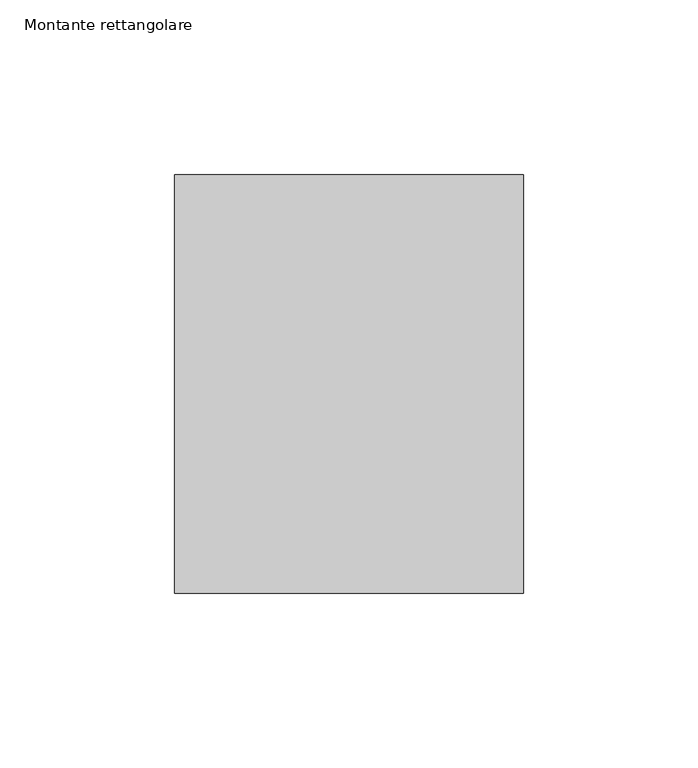
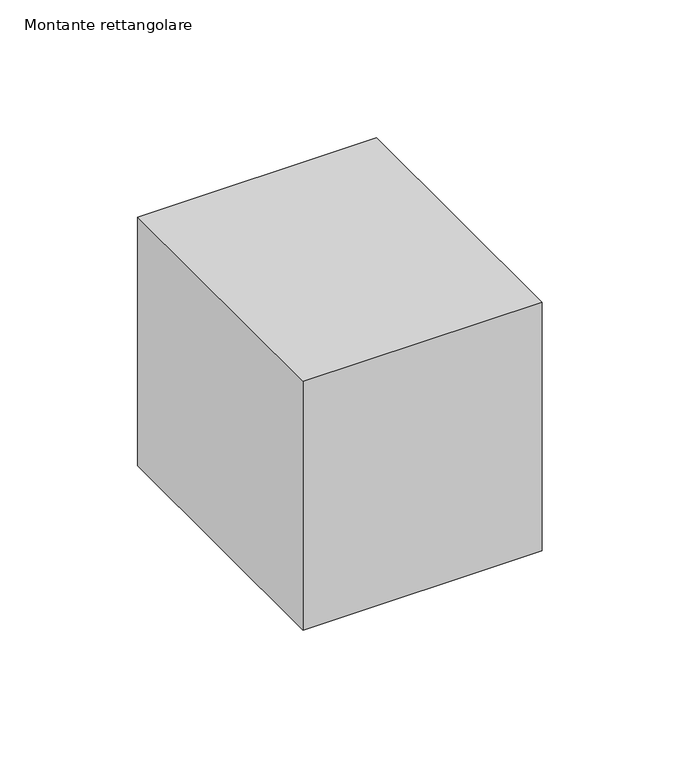
"""IFC4 building model written with IfcOpenShell, lengths in millimetres: member geometry, Montante rettangolare."""

import ifcopenshell
import ifcopenshell.guid

model = None  # the IFC model being written
_history = None  # IfcOwnerHistory: only IFC2X3 demands one
_inside = {}  # id of a spatial element -> (the spatial element, [elements in it])
_under = {}  # id of a project, library or spatial element -> (it, [spatial elements below it])
_declared = {}  # id of a project -> (the project, [libraries it declares])
_typed = {}  # id of a type object -> (the type object, [elements of that type])
_made_of = {}  # id of a material, layer set ... -> (it, [elements and type objects made of it])


def new_model(schema):
    """Start an empty IFC model of exactly this schema.

    Asked for "IFC4X3", IfcOpenShell would pick the latest addendum, in which some entities
    have other attributes; the version numbers below select the first issue.
    IFC2X3 requires an IfcOwnerHistory on every rooted entity: one is made here for all.
    """
    global model, _history
    if schema == "IFC4X3":
        model = ifcopenshell.file(schema_version=(4, 3, 0, 0))
    else:
        model = ifcopenshell.file(schema=schema)
    _inside.clear()
    _under.clear()
    _declared.clear()
    _typed.clear()
    _made_of.clear()
    _history = None
    if model.schema == "IFC2X3":
        org = make("IfcOrganization", Name="unknown")
        user = make(
            "IfcPersonAndOrganization",
            ThePerson=make("IfcPerson", FamilyName="unknown"),
            TheOrganization=org,
        )
        app = make(
            "IfcApplication",
            ApplicationDeveloper=org,
            Version="unknown",
            ApplicationFullName="unknown",
            ApplicationIdentifier="unknown",
        )
        _history = make(
            "IfcOwnerHistory",
            OwningUser=user,
            OwningApplication=app,
            ChangeAction="ADDED",
            CreationDate=0,
        )
    return model


def make(cls, **values):
    """One entity of the class cls with the attributes given. An attribute that is None is left unset."""
    return model.create_entity(
        cls, **{name: value for name, value in values.items() if value is not None}
    )


def rooted(cls, **values):
    """An entity with a GlobalId (a new one), such as an element, a storey or a relation."""
    return make(cls, GlobalId=ifcopenshell.guid.new(), OwnerHistory=_history, **values)


def si_unit(unit_type, name, prefix=None):
    """IfcSIUnit, for example si_unit("LENGTHUNIT", "METRE", prefix="MILLI")."""
    return make("IfcSIUnit", UnitType=unit_type, Prefix=prefix, Name=name)


def assignment(units):
    """IfcUnitAssignment: the units of a project."""
    return None if units is None else make("IfcUnitAssignment", Units=units)


def point(xyz):
    """IfcCartesianPoint."""
    return None if xyz is None else make("IfcCartesianPoint", Coordinates=xyz)


def direction(xyz):
    """IfcDirection."""
    return None if xyz is None else make("IfcDirection", DirectionRatios=xyz)


def frame(location, z_axis=None, x_axis=None):
    """IfcAxis2Placement3D, a coordinate frame: its origin and axes. An axis left out is left unset."""
    return make(
        "IfcAxis2Placement3D",
        Location=point(location),
        Axis=direction(z_axis),
        RefDirection=direction(x_axis),
    )


def origin():
    """The frame at (0, 0, 0) with its axes left unset."""
    return frame((0.0, 0.0, 0.0))


def place(relative_to, where):
    """IfcLocalPlacement: puts the frame where relative to a parent placement (None: the world)."""
    return make(
        "IfcLocalPlacement", PlacementRelTo=relative_to, RelativePlacement=where
    )


def context(
    kind, dimensions, precision=None, world=None, true_north=None, identifier=None
):
    """IfcGeometricRepresentationContext, for example the 3D "Model" context."""
    return make(
        "IfcGeometricRepresentationContext",
        ContextIdentifier=identifier,
        ContextType=kind,
        CoordinateSpaceDimension=dimensions,
        Precision=precision,
        WorldCoordinateSystem=world,
        TrueNorth=true_north,
    )


def project(units=None, contexts=None):
    """IfcProject with its units and contexts."""
    return rooted(
        "IfcProject",
        Name="project",
        RepresentationContexts=contexts,
        UnitsInContext=assignment(units),
    )


def spatial(cls, under=None, at=None, **own):
    """A site, building, storey or space (cls), placed at a placement, below another one or the project."""
    s = rooted(cls, ObjectPlacement=at, **own)
    if under is not None:
        _under.setdefault(under.id(), (under, []))[1].append(s)
    return s


def polyline(points):
    """IfcPolyline through the points."""
    return make("IfcPolyline", Points=[point(p) for p in points])


def outline(outer, holes=None, kind="AREA"):
    """IfcArbitraryClosedProfileDef: a profile drawn as a closed curve; with holes, ...WithVoids."""
    if holes is None:
        return make("IfcArbitraryClosedProfileDef", ProfileType=kind, OuterCurve=outer)
    return make(
        "IfcArbitraryProfileDefWithVoids",
        ProfileType=kind,
        OuterCurve=outer,
        InnerCurves=holes,
    )


def extrude(swept, where, along, depth):
    """IfcExtrudedAreaSolid: the profile swept, set in the frame where, extruded along a direction by depth."""
    return make(
        "IfcExtrudedAreaSolid",
        SweptArea=swept,
        Position=where,
        ExtrudedDirection=direction(along),
        Depth=depth,
    )


def shape(context_of_items, identifier, shape_type, items):
    """IfcShapeRepresentation: the items that make up one representation, for example the "Body"."""
    return make(
        "IfcShapeRepresentation",
        ContextOfItems=context_of_items,
        RepresentationIdentifier=identifier,
        RepresentationType=shape_type,
        Items=items,
    )


def source(mapping_origin, context_of_items, identifier, shape_type, items):
    """IfcRepresentationMap: a shape defined once, which mapped items show again and again."""
    return make(
        "IfcRepresentationMap",
        MappingOrigin=mapping_origin,
        MappedRepresentation=shape(context_of_items, identifier, shape_type, items),
    )


def transform(
    local_origin,
    x_axis=None,
    y_axis=None,
    z_axis=None,
    scale=None,
    scale2=None,
    scale3=None,
    uniform=True,
):
    """IfcCartesianTransformationOperator3D, or its non-uniform kind. x_axis, y_axis, z_axis: its Axis1, 2, 3."""
    if uniform:
        return make(
            "IfcCartesianTransformationOperator3D",
            Axis1=direction(x_axis),
            Axis2=direction(y_axis),
            LocalOrigin=point(local_origin),
            Scale=scale,
            Axis3=direction(z_axis),
        )
    return make(
        "IfcCartesianTransformationOperator3DnonUniform",
        Axis1=direction(x_axis),
        Axis2=direction(y_axis),
        LocalOrigin=point(local_origin),
        Scale=scale,
        Axis3=direction(z_axis),
        Scale2=scale2,
        Scale3=scale3,
    )


def mapped(mapping_source, mapping_target):
    """IfcMappedItem: shows the shape of a source again, moved by a transform."""
    return make(
        "IfcMappedItem", MappingSource=mapping_source, MappingTarget=mapping_target
    )


def made_of(thing, what):
    """Note that an element or type object is made of a material, layer set ...; save() writes the relation."""
    if what is not None:
        _made_of.setdefault(what.id(), (what, []))[1].append(thing)
    return thing


def element(
    cls,
    number,
    at=None,
    inside=None,
    cuts=None,
    type_object=None,
    material=None,
    context=None,
    identifier="Body",
    shape_type=None,
    held_by="IfcProductDefinitionShape",
    body=None,
    shapes=None,
    **own,
):
    """One element of the class cls, such as IfcWall. Its Tag is "e" and its number.

    at: its placement. inside: the storey or other place that contains it. cuts: it is an
    opening in that element (IfcRelVoidsElement). A single representation is given by context,
    identifier, shape_type and body (its items); several are given by shapes. held_by: the class
    of the entity that holds the representations. save() writes the other relations.
    """
    e = rooted(cls, Tag="e%d" % number, ObjectPlacement=at, **own)
    if body is not None:
        shapes = [shape(context, identifier, shape_type, body)]
    if shapes is not None:
        e.Representation = make(held_by, Representations=shapes)
    if inside is not None:
        _inside.setdefault(inside.id(), (inside, []))[1].append(e)
    if cuts is not None:
        rooted(
            "IfcRelVoidsElement", RelatingBuildingElement=cuts, RelatedOpeningElement=e
        )
    if type_object is not None:
        _typed.setdefault(type_object.id(), (type_object, []))[1].append(e)
    return made_of(e, material)


def aggregate(whole, parts):
    """IfcRelAggregates: a whole, such as a stair, and the parts it consists of."""
    return rooted("IfcRelAggregates", RelatingObject=whole, RelatedObjects=parts)


def save(model, path):
    """Write the relations noted so far, then the file.

    IfcRelAggregates (storeys below a building ...), IfcRelContainedInSpatialStructure (elements
    in a storey), IfcRelDefinesByType, IfcRelAssociatesMaterial and IfcRelDeclares: one each for
    every whole, place, type object, material and project.
    """
    for whole, parts in _under.values():
        aggregate(whole, parts)
    for where, things in _inside.values():
        rooted(
            "IfcRelContainedInSpatialStructure",
            RelatedElements=things,
            RelatingStructure=where,
        )
    for kind, things in _typed.values():
        rooted("IfcRelDefinesByType", RelatedObjects=things, RelatingType=kind)
    for what, things in _made_of.values():
        rooted("IfcRelAssociatesMaterial", RelatedObjects=things, RelatingMaterial=what)
    for by, libraries in _declared.values():
        rooted("IfcRelDeclares", RelatingContext=by, RelatedDefinitions=libraries)
    model.write(path)


def montante_rettangolare_7b5daa34(model_context):
    return source(origin(), model_context, "Body", "SweptSolid", [
        extrude(outline(polyline([(0.0, 60.0), (0.0, -60.0), (-100.0, -60.0), (-100.0, 60.0), (0.0, 60.0)])), frame((0.0, 0.0, -110.0), z_axis=(0.0, 0.0, 1.0), x_axis=(1.0, 0.0, 0.0)), (0.0, 0.0, 1.0), 110.0),
    ])


if __name__ == "__main__":
    model = new_model("IFC4")
    model_context = context("Model", 3, world=origin())
    ifc_project = project(units=[si_unit("LENGTHUNIT", "METRE", prefix="MILLI")], contexts=[model_context])
    site = spatial("IfcSite", under=ifc_project)
    building = spatial("IfcBuilding", under=site)
    placement = place(None, origin())
    montante_rettangolare_shape = montante_rettangolare_7b5daa34(model_context)
    element("IfcMember", 1, ObjectType="Montante rettangolare", at=placement, inside=building, context=model_context, shape_type="MappedRepresentation", body=[
        mapped(montante_rettangolare_shape, transform((0.0, 0.0, 0.0), x_axis=(1.0, 0.0, 0.0), y_axis=(0.0, 1.0, 0.0), z_axis=(0.0, 0.0, 1.0))),
    ])
    save(model, "model.ifc")
